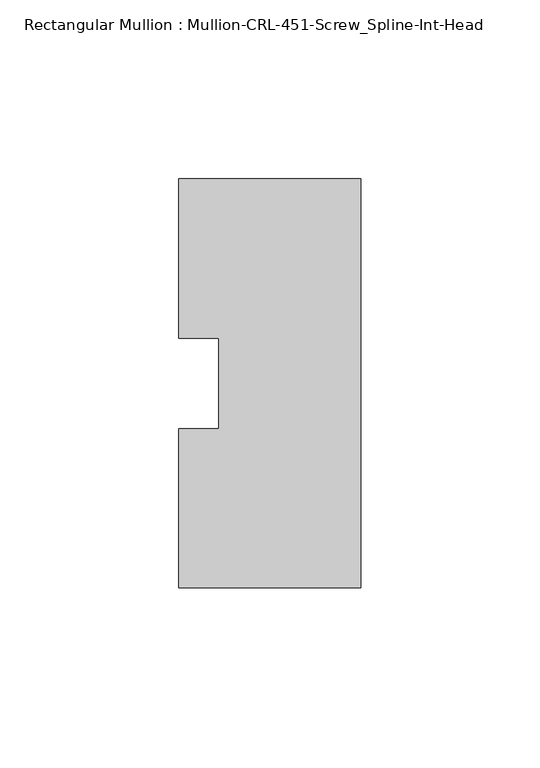
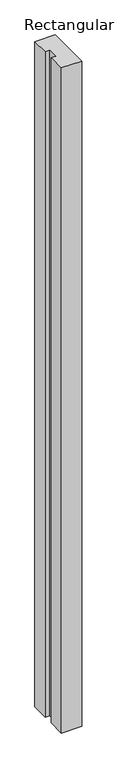
"""IFC4 building model written with IfcOpenShell, lengths in millimetres: member geometry, Rectangular Mullion : Mullion-CRL-451-Screw_Spline-Int-Head."""

from ifc_helpers import new_model, si_unit, frame, origin, place, context, project, spatial, polyline, outline, extrude, source, transform, mapped, element, save


def rectangular_mullion_mullion_crl_451_screw_spline_int_head_da0f021c(model_context):
    return source(origin(), model_context, "Body", "SweptSolid", [
        extrude(outline(polyline([(0.0, -57.15), (-50.8, -57.15), (-50.8, -12.7), (-39.6875, -12.7), (-39.6875, 12.7), (-50.8, 12.7), (-50.8, 57.15), (0.0, 57.15), (0.0, -57.15)])), frame((0.0, 0.0, -1752.6), z_axis=(0.0, 0.0, 1.0), x_axis=(1.0, 0.0, 0.0)), (0.0, 0.0, 1.0), 1752.6),
    ])


if __name__ == "__main__":
    model = new_model("IFC4")
    model_context = context("Model", 3, world=origin())
    ifc_project = project(units=[si_unit("LENGTHUNIT", "METRE", prefix="MILLI")], contexts=[model_context])
    site = spatial("IfcSite", under=ifc_project)
    building = spatial("IfcBuilding", under=site)
    placement = place(None, origin())
    rectangular_mullion_mullion_crl_451_screw_spline_int_head_shape = rectangular_mullion_mullion_crl_451_screw_spline_int_head_da0f021c(model_context)
    element("IfcMember", 1, ObjectType="Rectangular Mullion : Mullion-CRL-451-Screw_Spline-Int-Head", at=placement, inside=building, context=model_context, shape_type="MappedRepresentation", body=[
        mapped(rectangular_mullion_mullion_crl_451_screw_spline_int_head_shape, transform((0.0, 0.0, 0.0), x_axis=(1.0, 0.0, 0.0), y_axis=(0.0, 1.0, 0.0), z_axis=(0.0, 0.0, 1.0))),
    ])
    save(model, "model.ifc")
